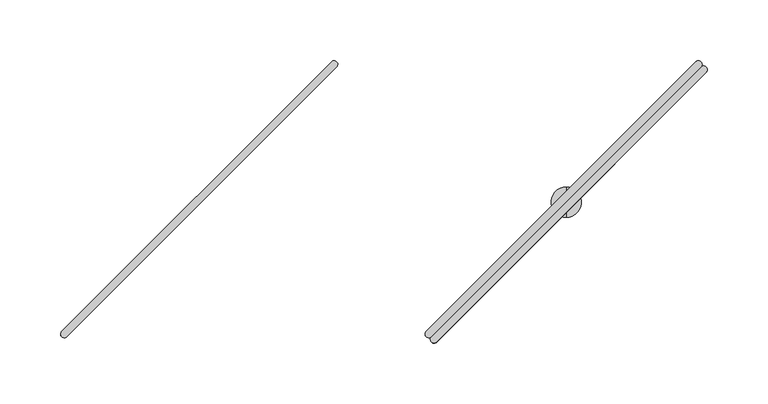
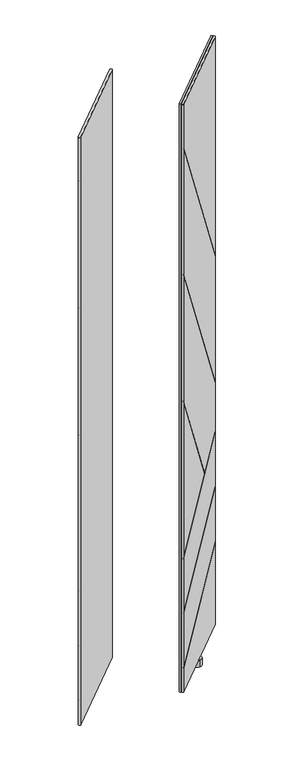
"""IFC4 building model written with IfcOpenShell, lengths in millimetres: furniture geometry."""

from ifc_helpers import new_model, si_unit, frame, origin, place, context, project, spatial, circle_curve, ellipse_curve, source, transform, mapped, element, save
from ifc_brep_helpers import plane_surface, cylinder_surface, advanced_brep


def furniture_4cfe6935(model_context):
    return source(origin(), model_context, "Body", "AdvancedBrep", [
        advanced_brep(
        [(489.0781344, -183.0476726, 1930.6159983), (711.0420147, 39.0094149, 1930.6159983), (706.8263161, 43.2234083, 1930.6159983), (484.81456, -178.7849606, 1930.6159983), (489.0781344, -183.0476726, 80.7339983), (484.81456, -178.7849606, 80.7339983), (706.8263161, 43.2234083, 80.7339983), (711.0420147, 39.0094149, 80.7339983), (484.81456, -178.7849606, 1790.5286762), (484.3106978, -182.380027, 1795.594488), (484.3106978, -182.380027, 1792.4233739), (484.81456, -178.7849606, 1787.3575622), (484.81456, -178.7849606, 1391.0755777), (484.3106978, -182.380027, 1396.14041), (484.3106978, -182.380027, 1392.9697579), (484.81456, -178.7849606, 1387.9049255), (484.81456, -178.7849606, 991.620773), (484.3106978, -182.380027, 996.6856054), (484.3106978, -182.380027, 993.5149532), (484.81456, -178.7849606, 988.4501208), (484.81456, -178.7849606, 505.723), (484.3106978, -182.380027, 504.0355995), (484.3106978, -182.380027, 502.2133563), (484.81456, -178.7849606, 503.9007569), (484.81456, -178.7849606, 332.9064727), (484.3106978, -182.380027, 331.2192637), (484.3106978, -182.380027, 329.397073), (484.81456, -178.7849606, 331.0842819), (484.81456, -178.7849606, 160.9482293), (484.3106978, -182.380027, 159.2609644), (484.3106978, -182.380027, 155.5577715), (484.81456, -178.7849606, 157.2450364), (706.8263161, 43.2234083, 1241.7700643), (706.8263161, 43.2234083, 340.0195157), (706.8263161, 43.2234083, 1238.5989503), (706.8263161, 43.2234083, 842.4230587), (706.8263161, 43.2234083, 839.2524065), (706.8263161, 43.2234083, 688.5121824), (632.2972885, -31.3044822, 627.1501165), (631.3349124, -32.2668437, 626.3577623), (706.8263161, 43.2234083, 686.6899393), (706.8263161, 43.2234083, 515.6748977), (706.8263161, 43.2234083, 513.852707), (706.8263161, 43.2234083, 343.7227086), (710.3498612, 43.6591364, 341.6492934), (710.3498612, 43.6591364, 345.3524863), (710.3498612, 43.6591364, 515.4824307), (710.3498612, 43.6591364, 517.3046215), (710.3498612, 43.6591364, 688.3198481), (710.3498612, 43.6591364, 690.1420912), (710.3498612, 43.6591364, 834.360139), (710.3498612, 43.6591364, 837.5307912), (710.3498612, 43.6591364, 1233.7057367), (710.3498612, 43.6591364, 1236.8768508), (633.8417656, -32.8489592, 627.1501165), (632.8793967, -33.811328, 626.3577623)],
        [
            (0, 1),
            (1, 2, circle_curve(frame((708.8820345, 41.0642596, 1930.6159983), z_axis=(0.0, 0.0, 1.0), x_axis=(0.6892541380737184, 0.724519656840486, 0.0)), 2.9812584)),
            (2, 3),
            (3, 0, circle_curve(frame((486.9461154, -180.9165485, 1930.6159983), z_axis=(0.0, 0.0, 1.0), x_axis=(-0.7071121751659861, -0.7071013871659622, 0.0)), 3.0144975)),
            (4, 5, circle_curve(frame((486.9461154, -180.9165485, 80.7339983), z_axis=(0.0, 0.0, -1.0), x_axis=(-0.7071121751659861, -0.7071013871659622, 0.0)), 3.0144975)),
            (5, 6),
            (6, 7, circle_curve(frame((708.8820345, 41.0642596, 80.7339983), z_axis=(0.0, 0.0, -1.0), x_axis=(0.6892541380737184, 0.724519656840486, 0.0)), 2.9812584)),
            (7, 4),
            (3, 8),
            (8, 9, ellipse_curve(frame((486.9461154, -180.9165485, 1790.5287164), z_axis=(0.6137510408992909, 0.6137510408992904, 0.4966078126550915), x_axis=(-0.3511547519186339, -0.35115475191863366, 0.867975045960381)), 6.0701774, 3.0144975)),
            (9, 10),
            (10, 11, ellipse_curve(frame((486.9461154, -180.9165485, 1787.3576024), z_axis=(-0.6137510408992913, -0.6137510408992902, -0.49660781265509124), x_axis=(-0.3511547519186339, -0.35115475191863327, 0.8679750459603811)), 6.0701774, 3.0144975)),
            (11, 12),
            (12, 13, ellipse_curve(frame((486.9461154, -180.9165485, 1391.0756178), z_axis=(0.6137217711363938, 0.6137217711363934, 0.4966801538882105), x_axis=(-0.3512059048951318, -0.35120590489513154, 0.8679336522647244)), 6.0692932, 3.0144975)),
            (13, 14),
            (14, 15, ellipse_curve(frame((486.9461154, -180.9165485, 1387.9049657), z_axis=(-0.6137217711363929, -0.613721771136394, -0.4966801538882105), x_axis=(-0.3512059048951313, -0.3512059048951319, 0.8679336522647244)), 6.0692932, 3.0144975)),
            (15, 16),
            (16, 17, ellipse_curve(frame((486.9461154, -180.9165485, 991.6208132), z_axis=(0.6137217711363938, 0.6137217711363934, 0.49668015388821035), x_axis=(-0.35120590489513165, -0.35120590489513137, 0.8679336522647245)), 6.0692932, 3.0144975)),
            (17, 18),
            (18, 19, ellipse_curve(frame((486.9461154, -180.9165485, 988.450161), z_axis=(-0.613721771136394, -0.6137217711363929, -0.4966801538882105), x_axis=(-0.3512059048951319, -0.3512059048951313, 0.8679336522647244)), 6.0692932, 3.0144975)),
            (19, 20),
            (20, 21, ellipse_curve(frame((486.9461154, -180.9165485, 505.7229867), z_axis=(-0.35576802902276056, -0.35576802902275995, 0.8642095920843049), x_axis=(0.6110884629292727, 0.6110884629292717, 0.5031319717027327)), 3.4881556, 3.0144975)),
            (21, 22),
            (22, 23, ellipse_curve(frame((486.9461154, -180.9165485, 503.9007435), z_axis=(0.35576802902276056, 0.35576802902275995, -0.8642095920843049), x_axis=(0.6110884629292727, 0.6110884629292717, 0.5031319717027327)), 3.4881556, 3.0144975)),
            (23, 24),
            (24, 25, ellipse_curve(frame((486.9461154, -180.9165485, 332.9064593), z_axis=(-0.3557378542673982, -0.35573785426739757, 0.8642344346775679), x_axis=(0.6111060292954311, 0.6111060292954301, 0.5030892981544572)), 3.4880553, 3.0144975)),
            (25, 26),
            (26, 27, ellipse_curve(frame((486.9461154, -180.9165485, 331.0842685), z_axis=(0.35573785426739823, 0.3557378542673976, -0.8642344346775679), x_axis=(0.6111060292954312, 0.6111060292954301, 0.5030892981544572)), 3.4880553, 3.0144975)),
            (27, 28),
            (28, 29, ellipse_curve(frame((486.9461154, -180.9165485, 160.9482159), z_axis=(-0.3557466555065138, -0.3557466555065132, 0.8642271889913322), x_axis=(0.6111009058215596, 0.6111009058215585, 0.5031017449861812)), 3.4880845, 3.0144975)),
            (29, 30),
            (30, 31, ellipse_curve(frame((486.9461154, -180.9165485, 157.245023), z_axis=(0.3557466555065137, 0.3557466555065131, -0.8642271889913324), x_axis=(0.6111009058215598, 0.6111009058215587, 0.5031017449861805)), 3.4880845, 3.0144975)),
            (31, 5),
            (4, 0),
            (2, 32),
            (32, 8),
            (31, 33),
            (33, 6),
            (11, 34),
            (34, 35),
            (35, 12),
            (15, 36),
            (36, 37),
            (37, 38),
            (38, 16),
            (19, 39),
            (39, 20),
            (23, 40),
            (40, 41),
            (41, 24),
            (27, 42),
            (42, 43),
            (43, 28),
            (1, 7),
            (33, 44, ellipse_curve(frame((708.8820345, 41.0642596, 339.97694), z_axis=(0.3557466555065137, 0.3557466555065131, -0.8642271889913324), x_axis=(0.6111009058215598, 0.6111009058215587, 0.5031017449861805)), 3.4496234, 2.9812584)),
            (44, 45),
            (45, 43, ellipse_curve(frame((708.8820345, 41.0642596, 343.6801329), z_axis=(-0.3557466555065138, -0.3557466555065132, 0.8642271889913322), x_axis=(0.6111009058215596, 0.6111009058215585, 0.5031017449861812)), 3.4496234, 2.9812584)),
            (42, 46, ellipse_curve(frame((708.8820345, 41.0642596, 513.8101328), z_axis=(0.35573785426739823, 0.3557378542673976, -0.8642344346775679), x_axis=(0.6111060292954312, 0.6111060292954301, 0.5030892981544572)), 3.4495945, 2.9812584)),
            (46, 47),
            (47, 41, ellipse_curve(frame((708.8820345, 41.0642596, 515.6323235), z_axis=(-0.3557378542673982, -0.35573785426739757, 0.8642344346775679), x_axis=(0.6111060292954311, 0.6111060292954301, 0.5030892981544572)), 3.4495945, 2.9812584)),
            (40, 48, ellipse_curve(frame((708.8820345, 41.0642596, 686.6473602), z_axis=(0.35576802902276056, 0.35576802902275995, -0.8642095920843049), x_axis=(0.6110884629292727, 0.6110884629292717, 0.5031319717027327)), 3.4496937, 2.9812584)),
            (48, 49),
            (49, 37, ellipse_curve(frame((708.8820345, 41.0642596, 688.4696034), z_axis=(-0.35576802902276056, -0.35576802902275995, 0.8642095920843049), x_axis=(0.6110884629292727, 0.6110884629292717, 0.5031319717027327)), 3.4496937, 2.9812584)),
            (36, 50, ellipse_curve(frame((708.8820345, 41.0642596, 839.3802101), z_axis=(-0.6137217711363929, -0.613721771136394, -0.4966801538882105), x_axis=(-0.3512059048951313, -0.3512059048951319, 0.8679336522647244)), 6.0023706, 2.9812584)),
            (50, 51),
            (51, 35, ellipse_curve(frame((708.8820345, 41.0642596, 842.5508622), z_axis=(0.6137217711363938, 0.6137217711363934, 0.4966801538882105), x_axis=(-0.3512059048951318, -0.35120590489513154, 0.8679336522647244)), 6.0023706, 2.9812584)),
            (34, 52, ellipse_curve(frame((708.8820345, 41.0642596, 1238.7267785), z_axis=(-0.6137510408992913, -0.6137510408992902, -0.49660781265509124), x_axis=(-0.3511547519186339, -0.35115475191863327, 0.8679750459603811)), 6.003245, 2.9812584)),
            (52, 53),
            (53, 32, ellipse_curve(frame((708.8820345, 41.0642596, 1241.8978926), z_axis=(0.6137510408992909, 0.6137510408992904, 0.4966078126550915), x_axis=(-0.3511547519186339, -0.35115475191863366, 0.867975045960381)), 6.003245, 2.9812584)),
            (29, 45),
            (44, 30),
            (9, 53),
            (52, 10),
            (13, 51),
            (50, 14),
            (54, 49),
            (48, 22),
            (21, 55),
            (55, 18),
            (17, 54),
            (25, 47),
            (46, 26),
            (54, 38),
            (55, 39),
        ],
        [
            plane_surface(frame((597.9402563, -69.8999525, 1930.6159983), z_axis=(0.0, 0.0, 1.0000000000000002), x_axis=(0.7069583324882522, 0.7072551987263367, 0.0))),
            plane_surface(frame((597.9402563, -69.8999525, 80.7339983), z_axis=(0.0, 0.0, -1.0000000000000002), x_axis=(0.7069583324882522, 0.7072551987263367, 0.0))),
            cylinder_surface(frame((486.9461154, -180.9165485, 80.7339983), z_axis=(0.0, 0.0, 1.0), x_axis=(-0.7071121751659861, -0.7071013871659622, 0.0)), 3.0144975),
            plane_surface(frame((595.8204381, -67.7807761, 80.7339983), z_axis=(-0.7071013871659615, 0.7071121751659868, 0.0), x_axis=(-0.7071121751659868, -0.7071013871659615, 0.0))),
            cylinder_surface(frame((708.8820345, 41.0642596, 80.7339983), z_axis=(0.0, 0.0, 1.0), x_axis=(0.6892541380737184, 0.724519656840486, 0.0)), 2.9812584),
            plane_surface(frame((600.0600746, -72.0191288, 80.7339983), z_axis=(0.7072551987263367, -0.7069583324882522, 0.0), x_axis=(0.7069583324882522, 0.7072551987263367, 0.0))),
            plane_surface(frame((481.8234445, -184.8672803, 1789.3352577), z_axis=(-0.7071067811865472, 0.707106781186548, 0.0), x_axis=(0.0, 0.0, -1.0))),
            plane_surface(frame((699.4972959, 72.3196981, 348.9796982), z_axis=(-0.3557466555065137, -0.3557466555065131, 0.8642271889913324), x_axis=(0.7071067811865469, -0.7071067811865481, 0.0))),
            plane_surface(frame((462.0668811, -165.1107168, 157.2132806), z_axis=(0.35574665550651385, 0.35574665550651324, -0.8642271889913324), x_axis=(0.7071067811865469, -0.7071067811865481, 0.0))),
            plane_surface(frame((699.4972959, 72.3196981, 1211.6970692), z_axis=(0.6137510408992913, 0.6137510408992902, 0.49660781265509124), x_axis=(0.7071067811865469, -0.7071067811865481, 0.0))),
            plane_surface(frame((462.0668811, -165.1107168, 1801.7424149), z_axis=(-0.6137510408992909, -0.6137510408992904, -0.4966078126550915), x_axis=(0.7071067811865472, -0.7071067811865478, 0.0))),
            plane_surface(frame((699.4972959, 72.3196981, 812.3557264), z_axis=(0.6137217711363929, 0.613721771136394, 0.4966801538882105), x_axis=(0.7071067811865481, -0.7071067811865469, 0.0))),
            plane_surface(frame((462.0668811, -165.1107168, 1402.2871484), z_axis=(-0.6137217711363938, -0.6137217711363934, -0.4966801538882105), x_axis=(0.7071067811865472, -0.7071067811865478, 0.0))),
            plane_surface(frame((699.4972959, 72.3196981, 695.6508426), z_axis=(-0.3557680290227606, -0.35576802902276, 0.8642095920843051), x_axis=(0.7071067811865469, -0.7071067811865481, 0.0))),
            plane_surface(frame((614.0852021, -13.0923958, 627.1501165), z_axis=(0.3557680290227606, 0.35576802902276, -0.8642095920843051), x_axis=(0.7071067811865469, -0.7071067811865481, 0.0))),
            plane_surface(frame((699.4972959, 72.3196981, 522.8125927), z_axis=(-0.35573785426739823, -0.3557378542673976, 0.8642344346775679), x_axis=(0.7071067811865469, -0.7071067811865481, 0.0))),
            plane_surface(frame((462.0668811, -165.1107168, 329.1716477), z_axis=(0.3557378542673982, 0.35573785426739757, -0.8642344346775679), x_axis=(0.7071067811865469, -0.7071067811865481, 0.0))),
            plane_surface(frame((462.0668811, -165.1107168, 1002.8323438), z_axis=(-0.6137217711363938, -0.6137217711363934, -0.49668015388821035), x_axis=(0.7071067811865472, -0.7071067811865478, 0.0))),
            plane_surface(frame((613.1228333, -14.0547646, 626.3577623), z_axis=(0.613721771136394, 0.6137217711363929, 0.4966801538882105), x_axis=(0.7071067811865469, -0.7071067811865481, 0.0))),
            plane_surface(frame((462.0668811, -165.1107168, 501.9877509), z_axis=(0.3557680290227606, 0.35576802902276, -0.8642095920843051), x_axis=(0.7071067811865469, -0.7071067811865481, 0.0))),
        ],
        [
            (0, [[1, 2, 3, 4]]),
            (1, [[5, 6, 7, 8]]),
            (2, [[-4, 9, 10, 11, 12, 13, 14, 15, 16, 17, 18, 19, 20, 21, 22, 23, 24, 25, 26, 27, 28, 29, 30, 31, 32, 33, -5, 34]]),
            (3, [[-3, 35, 36, -9]]),
            (3, [[-6, -33, 37, 38]]),
            (3, [[-13, 39, 40, 41]]),
            (3, [[-17, 42, 43, 44, 45]]),
            (3, [[-21, 46, 47]]),
            (3, [[-25, 48, 49, 50]]),
            (3, [[-29, 51, 52, 53]]),
            (4, [[-2, 54, -7, -38, 55, 56, 57, -52, 58, 59, 60, -49, 61, 62, 63, -43, 64, 65, 66, -40, 67, 68, 69, -35]]),
            (5, [[-1, -34, -8, -54]]),
            (6, [[70, -56, 71, -31]]),
            (6, [[72, -68, 73, -11]]),
            (6, [[74, -65, 75, -15]]),
            (6, [[76, -62, 77, -23, 78, 79, -19, 80]]),
            (6, [[81, -59, 82, -27]]),
            (7, [[-71, -55, -37, -32]]),
            (8, [[-70, -30, -53, -57]]),
            (9, [[-73, -67, -39, -12]]),
            (10, [[-72, -10, -36, -69]]),
            (11, [[-75, -64, -42, -16]]),
            (12, [[-74, -14, -41, -66]]),
            (13, [[-77, -61, -48, -24]]),
            (14, [[-76, 83, -44, -63]]),
            (15, [[-82, -58, -51, -28]]),
            (16, [[-81, -26, -50, -60]]),
            (17, [[-80, -18, -45, -83]]),
            (18, [[-79, 84, -46, -20]]),
            (19, [[-78, -22, -47, -84]]),
        ],
    ),
        advanced_brep(
        [(489.0388266, -183.0083649, 1930.6159983), (493.3015387, -187.2719392, 1930.6159983), (715.3099076, 34.7398168, 1930.6159983), (711.0959142, 38.9555155, 1930.6159983), (489.0388267, -183.0083649, 80.7339983), (711.0959142, 38.9555155, 80.7339983), (715.3099076, 34.7398168, 80.7339983), (493.3015387, -187.2719392, 80.7339983), (493.3015387, -187.2719392, 157.2450364), (489.7064723, -187.7758015, 155.5577715), (489.7064723, -187.7758015, 159.2609644), (493.3015387, -187.2719392, 160.9482293), (493.3015387, -187.2719392, 331.0842819), (489.7064723, -187.7758015, 329.397073), (489.7064723, -187.7758015, 331.2192637), (493.3015387, -187.2719392, 332.9064727), (493.3015387, -187.2719392, 503.9007569), (489.7064723, -187.7758015, 502.2133563), (489.7064723, -187.7758015, 504.0355995), (493.3015387, -187.2719392, 505.723), (493.3015387, -187.2719392, 988.4501208), (489.7064723, -187.7758015, 993.5149532), (489.7064723, -187.7758015, 996.6856054), (493.3015387, -187.2719392, 991.620773), (493.3015387, -187.2719392, 1387.9049255), (489.7064723, -187.7758015, 1392.9697579), (489.7064723, -187.7758015, 1396.14041), (493.3015387, -187.2719392, 1391.0755777), (493.3015387, -187.2719392, 1787.3575622), (489.7064723, -187.7758015, 1792.4233739), (489.7064723, -187.7758015, 1795.594488), (493.3015387, -187.2719392, 1790.5286762), (715.3099076, 34.7398168, 343.7227086), (715.3099076, 34.7398168, 513.852707), (715.3099076, 34.7398168, 515.6748977), (715.3099076, 34.7398168, 686.6899393), (639.8196556, -40.7515869, 626.3577623), (640.7820171, -39.7892108, 627.1501165), (715.3099076, 34.7398168, 688.5121824), (715.3099076, 34.7398168, 839.2524065), (715.3099076, 34.7398168, 842.4230587), (715.3099076, 34.7398168, 1238.5989503), (715.3099076, 34.7398168, 1241.7700643), (715.3099076, 34.7398168, 340.0195157), (715.7456357, 38.263362, 1236.8768508), (715.7456357, 38.263362, 1233.7057367), (715.7456357, 38.263362, 837.5307912), (715.7456357, 38.263362, 834.360139), (715.7456357, 38.263362, 690.1420912), (715.7456357, 38.263362, 688.3198481), (715.7456357, 38.263362, 517.3046215), (715.7456357, 38.263362, 515.4824307), (715.7456357, 38.263362, 345.3524863), (715.7456357, 38.263362, 341.6492934), (639.23754, -38.2447337, 627.1501165), (638.2751712, -39.2071025, 626.3577623)],
        [
            (0, 1, circle_curve(frame((491.1699508, -185.1403839, 1930.6159983), z_axis=(0.0, 0.0, 1.0), x_axis=(-0.7072551987263337, -0.7069583324882551, 0.0)), 3.0144975)),
            (1, 2),
            (2, 3, circle_curve(frame((713.1507589, 36.7955352, 1930.6159983), z_axis=(0.0, 0.0, 1.0), x_axis=(0.6895472047235311, 0.7242407420588576, 0.0)), 2.9812584)),
            (3, 0),
            (4, 5),
            (5, 6, circle_curve(frame((713.1507589, 36.7955352, 80.7339983), z_axis=(0.0, 0.0, -1.0), x_axis=(0.6895472047235311, 0.7242407420588576, 0.0)), 2.9812584)),
            (6, 7),
            (7, 4, circle_curve(frame((491.1699508, -185.1403839, 80.7339983), z_axis=(0.0, 0.0, -1.0), x_axis=(-0.7072551987263337, -0.7069583324882551, 0.0)), 3.0144975)),
            (0, 4),
            (7, 8),
            (8, 9, ellipse_curve(frame((491.1699508, -185.1403839, 157.245023), z_axis=(0.3557466555065141, 0.35574665550651347, -0.8642271889913322), x_axis=(0.6111009058215596, 0.6111009058215586, 0.5031017449861808)), 3.4880845, 3.0144975)),
            (9, 10),
            (10, 11, ellipse_curve(frame((491.1699508, -185.1403839, 160.9482159), z_axis=(-0.3557466555065138, -0.3557466555065132, 0.8642271889913322), x_axis=(0.6111009058215596, 0.6111009058215585, 0.5031017449861812)), 3.4880845, 3.0144975)),
            (11, 12),
            (12, 13, ellipse_curve(frame((491.1699508, -185.1403839, 331.0842685), z_axis=(0.3557378542673982, 0.35573785426739757, -0.8642344346775678), x_axis=(0.611106029295431, 0.61110602929543, 0.5030892981544577)), 3.4880553, 3.0144975)),
            (13, 14),
            (14, 15, ellipse_curve(frame((491.1699508, -185.1403839, 332.9064593), z_axis=(-0.3557378542673982, -0.35573785426739757, 0.8642344346775679), x_axis=(0.6111060292954311, 0.6111060292954301, 0.5030892981544572)), 3.4880553, 3.0144975)),
            (15, 16),
            (16, 17, ellipse_curve(frame((491.1699508, -185.1403839, 503.9007435), z_axis=(0.35576802902276067, 0.35576802902276006, -0.8642095920843049), x_axis=(0.6110884629292728, 0.6110884629292717, 0.5031319717027326)), 3.4881556, 3.0144975)),
            (17, 18),
            (18, 19, ellipse_curve(frame((491.1699508, -185.1403839, 505.7229867), z_axis=(-0.3557680290227606, -0.35576802902276, 0.864209592084305), x_axis=(0.6110884629292728, 0.6110884629292717, 0.5031319717027324)), 3.4881556, 3.0144975)),
            (19, 20),
            (20, 21, ellipse_curve(frame((491.1699508, -185.1403839, 988.450161), z_axis=(-0.6137217711363941, -0.6137217711363931, -0.4966801538882102), x_axis=(-0.3512059048951317, -0.3512059048951311, 0.8679336522647246)), 6.0692932, 3.0144975)),
            (21, 22),
            (22, 23, ellipse_curve(frame((491.1699508, -185.1403839, 991.6208132), z_axis=(0.6137217711363941, 0.613721771136393, 0.49668015388821024), x_axis=(-0.35120590489513176, -0.3512059048951311, 0.8679336522647245)), 6.0692932, 3.0144975)),
            (23, 24),
            (24, 25, ellipse_curve(frame((491.1699508, -185.1403839, 1387.9049657), z_axis=(-0.6137217711363941, -0.6137217711363931, -0.4966801538882103), x_axis=(-0.35120590489513176, -0.3512059048951312, 0.8679336522647245)), 6.0692932, 3.0144975)),
            (25, 26),
            (26, 27, ellipse_curve(frame((491.1699508, -185.1403839, 1391.0756178), z_axis=(0.6137217711363941, 0.6137217711363931, 0.4966801538882103), x_axis=(-0.35120590489513176, -0.3512059048951312, 0.8679336522647245)), 6.0692932, 3.0144975)),
            (27, 28),
            (28, 29, ellipse_curve(frame((491.1699508, -185.1403839, 1787.3576024), z_axis=(-0.6137510408992914, -0.6137510408992903, -0.4966078126550913), x_axis=(-0.351154751918634, -0.3511547519186334, 0.8679750459603811)), 6.0701774, 3.0144975)),
            (29, 30),
            (30, 31, ellipse_curve(frame((491.1699508, -185.1403839, 1790.5287164), z_axis=(0.6137510408992906, 0.6137510408992916, 0.4966078126550908), x_axis=(-0.351154751918633, -0.35115475191863355, 0.8679750459603813)), 6.0701774, 3.0144975)),
            (31, 1),
            (11, 32),
            (32, 33),
            (33, 12),
            (15, 34),
            (34, 35),
            (35, 16),
            (19, 36),
            (36, 20),
            (23, 37),
            (37, 38),
            (38, 39),
            (39, 24),
            (27, 40),
            (40, 41),
            (41, 28),
            (31, 42),
            (42, 2),
            (6, 43),
            (43, 8),
            (42, 44, ellipse_curve(frame((713.1507589, 36.7955352, 1241.8978926), z_axis=(0.6137510408992906, 0.6137510408992916, 0.4966078126550908), x_axis=(-0.351154751918633, -0.35115475191863355, 0.8679750459603813)), 6.003245, 2.9812584)),
            (44, 45),
            (45, 41, ellipse_curve(frame((713.1507589, 36.7955352, 1238.7267785), z_axis=(-0.6137510408992914, -0.6137510408992903, -0.4966078126550913), x_axis=(-0.351154751918634, -0.3511547519186334, 0.8679750459603811)), 6.003245, 2.9812584)),
            (40, 46, ellipse_curve(frame((713.1507589, 36.7955352, 842.5508622), z_axis=(0.6137217711363941, 0.6137217711363931, 0.4966801538882103), x_axis=(-0.35120590489513176, -0.3512059048951312, 0.8679336522647245)), 6.0023706, 2.9812584)),
            (46, 47),
            (47, 39, ellipse_curve(frame((713.1507589, 36.7955352, 839.3802101), z_axis=(-0.6137217711363941, -0.6137217711363931, -0.4966801538882103), x_axis=(-0.35120590489513176, -0.3512059048951312, 0.8679336522647245)), 6.0023706, 2.9812584)),
            (38, 48, ellipse_curve(frame((713.1507589, 36.7955352, 688.4696034), z_axis=(-0.355768029022761, -0.3557680290227604, 0.8642095920843047), x_axis=(0.6110884629292725, 0.6110884629292714, 0.5031319717027329)), 3.4496937, 2.9812584)),
            (48, 49),
            (49, 35, ellipse_curve(frame((713.1507589, 36.7955352, 686.6473602), z_axis=(0.35576802902276067, 0.35576802902276006, -0.8642095920843049), x_axis=(0.6110884629292728, 0.6110884629292717, 0.5031319717027326)), 3.4496937, 2.9812584)),
            (34, 50, ellipse_curve(frame((713.1507589, 36.7955352, 515.6323235), z_axis=(-0.3557378542673982, -0.35573785426739757, 0.8642344346775679), x_axis=(0.6111060292954311, 0.6111060292954301, 0.5030892981544572)), 3.4495945, 2.9812584)),
            (50, 51),
            (51, 33, ellipse_curve(frame((713.1507589, 36.7955352, 513.8101328), z_axis=(0.3557378542673982, 0.35573785426739757, -0.8642344346775678), x_axis=(0.611106029295431, 0.61110602929543, 0.5030892981544577)), 3.4495945, 2.9812584)),
            (32, 52, ellipse_curve(frame((713.1507589, 36.7955352, 343.6801329), z_axis=(-0.3557466555065138, -0.3557466555065132, 0.8642271889913322), x_axis=(0.6111009058215596, 0.6111009058215585, 0.5031017449861812)), 3.4496234, 2.9812584)),
            (52, 53),
            (53, 43, ellipse_curve(frame((713.1507589, 36.7955352, 339.97694), z_axis=(0.3557466555065141, 0.35574665550651347, -0.8642271889913322), x_axis=(0.6111009058215596, 0.6111009058215586, 0.5031017449861808)), 3.4496234, 2.9812584)),
            (5, 3),
            (9, 53),
            (52, 10),
            (29, 45),
            (44, 30),
            (25, 47),
            (46, 26),
            (13, 51),
            (50, 14),
            (54, 22),
            (21, 55),
            (55, 18),
            (17, 49),
            (48, 54),
            (37, 54),
            (36, 55),
        ],
        [
            plane_surface(frame((602.1865468, -74.146243, 1930.6159983), z_axis=(0.0, 0.0, 1.0000000000000002), x_axis=(-0.7072551987263422, -0.7069583324882467, 0.0))),
            plane_surface(frame((602.1865468, -74.146243, 80.7339983), z_axis=(0.0, 0.0, -1.0000000000000002), x_axis=(-0.7072551987263422, -0.7069583324882467, 0.0))),
            cylinder_surface(frame((491.1699508, -185.1403839, 80.7339983), z_axis=(0.0, 0.0, 1.0), x_axis=(-0.7072551987263337, -0.7069583324882551, 0.0)), 3.0144975),
            plane_surface(frame((604.3057231, -76.2660612, 80.7339983), z_axis=(0.7071121751659858, -0.7071013871659624, 0.0), x_axis=(0.7071013871659624, 0.7071121751659858, 0.0))),
            cylinder_surface(frame((713.1507589, 36.7955352, 80.7339983), z_axis=(0.0, 0.0, 1.0), x_axis=(0.6895472047235311, 0.7242407420588576, 0.0)), 2.9812584),
            plane_surface(frame((600.0673705, -72.0264247, 80.7339983), z_axis=(-0.7069583324882512, 0.7072551987263376, 0.0), x_axis=(-0.7072551987263376, -0.7069583324882512, 0.0))),
            plane_surface(frame((506.1569445, -171.3253292, 169.1009707), z_axis=(0.7071067811865472, -0.7071067811865481, 0.0), x_axis=(-0.6111009058215594, -0.6111009058215585, -0.5031017449861812))),
            plane_surface(frame((506.9757825, -210.0196182, 153.5100877), z_axis=(-0.3557466555065141, -0.35574665550651347, 0.8642271889913322), x_axis=(-0.7071067811865469, 0.7071067811865481, 0.0))),
            plane_surface(frame((744.4061973, 27.4107966, 352.6828911), z_axis=(0.35574665550651385, 0.35574665550651324, -0.8642271889913324), x_axis=(-0.7071067811865469, 0.7071067811865481, 0.0))),
            plane_surface(frame((506.9757825, -210.0196182, 1798.5713009), z_axis=(0.6137510408992913, 0.6137510408992902, 0.4966078126550912), x_axis=(-0.7071067811865469, 0.7071067811865481, 0.0))),
            plane_surface(frame((744.4061973, 27.4107966, 1214.8681832), z_axis=(-0.6137510408992906, -0.6137510408992916, -0.4966078126550908), x_axis=(-0.7071067811865481, 0.7071067811865469, 0.0))),
            plane_surface(frame((506.9757825, -210.0196182, 1399.1164962), z_axis=(0.6137217711363941, 0.6137217711363931, 0.4966801538882103), x_axis=(-0.7071067811865469, 0.7071067811865481, 0.0))),
            plane_surface(frame((744.4061973, 27.4107966, 815.5263786), z_axis=(-0.6137217711363941, -0.6137217711363931, -0.4966801538882103), x_axis=(-0.7071067811865469, 0.7071067811865481, 0.0))),
            plane_surface(frame((506.9757825, -210.0196182, 500.1655078), z_axis=(-0.35576802902276067, -0.35576802902276006, 0.8642095920843049), x_axis=(-0.7071067811865469, 0.7071067811865481, 0.0))),
            plane_surface(frame((744.4061973, 27.4107966, 697.4730857), z_axis=(0.355768029022761, 0.3557680290227604, -0.8642095920843047), x_axis=(-0.7071067811865469, 0.7071067811865481, 0.0))),
            plane_surface(frame((506.9757825, -210.0196182, 327.3494569), z_axis=(-0.3557378542673982, -0.35573785426739757, 0.8642344346775678), x_axis=(-0.7071067811865469, 0.7071067811865481, 0.0))),
            plane_surface(frame((744.4061973, 27.4107966, 524.6347834), z_axis=(0.3557378542673982, 0.35573785426739757, -0.8642344346775679), x_axis=(-0.7071067811865469, 0.7071067811865481, 0.0))),
            plane_surface(frame((658.9941035, -58.0012972, 627.1501165), z_axis=(-0.6137217711363941, -0.613721771136393, -0.49668015388821024), x_axis=(-0.7071067811865469, 0.7071067811865481, 0.0))),
            plane_surface(frame((506.9757825, -210.0196182, 999.6616916), z_axis=(0.6137217711363941, 0.6137217711363931, 0.4966801538882102), x_axis=(-0.7071067811865469, 0.7071067811865481, 0.0))),
            plane_surface(frame((658.0317347, -58.963666, 626.3577623), z_axis=(0.3557680290227606, 0.35576802902276, -0.864209592084305), x_axis=(-0.7071067811865469, 0.7071067811865481, 0.0))),
        ],
        [
            (0, [[1, 2, 3, 4]]),
            (1, [[5, 6, 7, 8]]),
            (2, [[-1, 9, -8, 10, 11, 12, 13, 14, 15, 16, 17, 18, 19, 20, 21, 22, 23, 24, 25, 26, 27, 28, 29, 30, 31, 32, 33, 34]]),
            (3, [[-14, 35, 36, 37]]),
            (3, [[-18, 38, 39, 40]]),
            (3, [[-22, 41, 42]]),
            (3, [[-26, 43, 44, 45, 46]]),
            (3, [[-30, 47, 48, 49]]),
            (3, [[-2, -34, 50, 51]]),
            (3, [[-7, 52, 53, -10]]),
            (4, [[-3, -51, 54, 55, 56, -48, 57, 58, 59, -45, 60, 61, 62, -39, 63, 64, 65, -36, 66, 67, 68, -52, -6, 69]]),
            (5, [[-4, -69, -5, -9]]),
            (6, [[70, -67, 71, -12]]),
            (6, [[72, -55, 73, -32]]),
            (6, [[74, -58, 75, -28]]),
            (6, [[76, -64, 77, -16]]),
            (6, [[78, -24, 79, 80, -20, 81, -61, 82]]),
            (7, [[-70, -11, -53, -68]]),
            (8, [[-71, -66, -35, -13]]),
            (9, [[-72, -31, -49, -56]]),
            (10, [[-73, -54, -50, -33]]),
            (11, [[-74, -27, -46, -59]]),
            (12, [[-75, -57, -47, -29]]),
            (13, [[-81, -19, -40, -62]]),
            (14, [[-82, -60, -44, 83]]),
            (15, [[-76, -15, -37, -65]]),
            (16, [[-77, -63, -38, -17]]),
            (17, [[-78, -83, -43, -25]]),
            (18, [[-79, -23, -42, 84]]),
            (19, [[-80, -84, -41, -21]]),
        ],
    ),
        advanced_brep(
        [(599.9988, -84.5709522, 80.7339983), (599.9988, -59.5748171, 80.7339983), (599.9988, -59.5748171, 59.9975986), (599.9988, -84.5709522, 59.9975986), (599.9988, -72.0728847, 80.7339983), (599.9988, -72.0728847, 59.9975986)],
        [
            (0, 1, circle_curve(frame((599.9988, -72.0728847, 80.7339983), z_axis=(0.0, 0.0, -1.0), x_axis=(0.0, 1.0, 0.0)), 12.4980675)),
            (1, 2),
            (2, 3, circle_curve(frame((599.9988, -72.0728847, 59.9975986), z_axis=(0.0, 0.0, 1.0), x_axis=(0.0, 1.0, 0.0)), 12.4980675)),
            (3, 0),
            (4, 1),
            (0, 4),
            (0, 1, circle_curve(frame((599.9988, -72.0728847, 80.7339983), z_axis=(0.0, 0.0, 1.0), x_axis=(0.0, 1.0, 0.0)), 12.4980675)),
            (2, 5),
            (5, 3),
            (2, 3, circle_curve(frame((599.9988, -72.0728847, 59.9975986), z_axis=(0.0, 0.0, -1.0), x_axis=(0.0, 1.0, 0.0)), 12.4980675)),
        ],
        [
            cylinder_surface(frame((599.9988, -72.0728847, 88.2747758), z_axis=(0.0, 0.0, 1.0), x_axis=(0.0, 1.0, 0.0)), 12.4980675),
            plane_surface(frame((599.9988, -72.0728847, 80.7339983), z_axis=(0.0, 0.0, 1.0), x_axis=(0.0, 1.0, 0.0))),
            plane_surface(frame((599.9988, -72.0728847, 59.9975986), z_axis=(0.0, 0.0, -1.0), x_axis=(0.0, 1.0, 0.0))),
        ],
        [
            (0, [[1, 2, 3, 4]]),
            (1, [[5, -1, 6]]),
            (1, [[-6, 7, -5]]),
            (2, [[-3, 8, 9]]),
            (2, [[10, -9, -8]]),
            (0, [[-7, -4, -10, -2]]),
        ],
    ),
        advanced_brep(
        [(189.0787344, -183.0476726, 1930.6159983), (411.0426147, 39.0094149, 1930.6159983), (406.8269161, 43.2234083, 1930.6159983), (184.81516, -178.7849606, 1930.6159983), (189.0787344, -183.0476726, 80.7339983), (184.81516, -178.7849606, 80.7339983), (406.8269161, 43.2234083, 80.7339983), (411.0426147, 39.0094149, 80.7339983), (184.81516, -178.7849606, 1790.5286762), (184.3112978, -182.380027, 1795.594488), (184.3112978, -182.380027, 1792.4233739), (184.81516, -178.7849606, 1787.3575622), (184.81516, -178.7849606, 1391.0755777), (184.3112978, -182.380027, 1396.14041), (184.3112978, -182.380027, 1392.9697579), (184.81516, -178.7849606, 1387.9049255), (184.81516, -178.7849606, 991.620773), (184.3112978, -182.380027, 996.6856054), (184.3112978, -182.380027, 993.5149532), (184.81516, -178.7849606, 988.4501208), (184.81516, -178.7849606, 505.723), (184.3112978, -182.380027, 504.0355995), (184.3112978, -182.380027, 502.2133563), (184.81516, -178.7849606, 503.9007569), (184.81516, -178.7849606, 332.9064727), (184.3112978, -182.380027, 331.2192637), (184.3112978, -182.380027, 329.397073), (184.81516, -178.7849606, 331.0842819), (184.81516, -178.7849606, 160.9482293), (184.3112978, -182.380027, 159.2609644), (184.3112978, -182.380027, 155.5577715), (184.81516, -178.7849606, 157.2450364), (406.8269161, 43.2234083, 1241.7700643), (406.8269161, 43.2234083, 340.0195157), (406.8269161, 43.2234083, 1238.5989503), (406.8269161, 43.2234083, 842.4230587), (406.8269161, 43.2234083, 839.2524065), (406.8269161, 43.2234083, 688.5121824), (332.2978885, -31.3044822, 627.1501165), (331.3355124, -32.2668437, 626.3577623), (406.8269161, 43.2234083, 686.6899393), (406.8269161, 43.2234083, 515.6748977), (406.8269161, 43.2234083, 513.852707), (406.8269161, 43.2234083, 343.7227086), (410.3504612, 43.6591364, 341.6492934), (410.3504612, 43.6591364, 345.3524863), (410.3504612, 43.6591364, 515.4824307), (410.3504612, 43.6591364, 517.3046215), (410.3504612, 43.6591364, 688.3198481), (410.3504612, 43.6591364, 690.1420912), (410.3504612, 43.6591364, 834.360139), (410.3504612, 43.6591364, 837.5307912), (410.3504612, 43.6591364, 1233.7057367), (410.3504612, 43.6591364, 1236.8768508), (333.8423656, -32.8489592, 627.1501165), (332.8799967, -33.811328, 626.3577623)],
        [
            (0, 1),
            (1, 2, circle_curve(frame((408.8826345, 41.0642596, 1930.6159983), z_axis=(0.0, 0.0, 1.0), x_axis=(0.6892541380737184, 0.724519656840486, 0.0)), 2.9812584)),
            (2, 3),
            (3, 0, circle_curve(frame((186.9467154, -180.9165485, 1930.6159983), z_axis=(0.0, 0.0, 1.0), x_axis=(-0.7071121751659861, -0.7071013871659622, 0.0)), 3.0144975)),
            (4, 5, circle_curve(frame((186.9467154, -180.9165485, 80.7339983), z_axis=(0.0, 0.0, -1.0), x_axis=(-0.7071121751659861, -0.7071013871659622, 0.0)), 3.0144975)),
            (5, 6),
            (6, 7, circle_curve(frame((408.8826345, 41.0642596, 80.7339983), z_axis=(0.0, 0.0, -1.0), x_axis=(0.6892541380737184, 0.724519656840486, 0.0)), 2.9812584)),
            (7, 4),
            (3, 8),
            (8, 9, ellipse_curve(frame((186.9467154, -180.9165485, 1790.5287164), z_axis=(0.6137510408992909, 0.6137510408992904, 0.4966078126550915), x_axis=(-0.3511547519186339, -0.35115475191863366, 0.867975045960381)), 6.0701774, 3.0144975)),
            (9, 10),
            (10, 11, ellipse_curve(frame((186.9467154, -180.9165485, 1787.3576024), z_axis=(-0.6137510408992913, -0.6137510408992902, -0.49660781265509124), x_axis=(-0.3511547519186339, -0.35115475191863327, 0.8679750459603811)), 6.0701774, 3.0144975)),
            (11, 12),
            (12, 13, ellipse_curve(frame((186.9467154, -180.9165485, 1391.0756178), z_axis=(0.6137217711363938, 0.6137217711363934, 0.4966801538882105), x_axis=(-0.3512059048951318, -0.35120590489513154, 0.8679336522647244)), 6.0692932, 3.0144975)),
            (13, 14),
            (14, 15, ellipse_curve(frame((186.9467154, -180.9165485, 1387.9049657), z_axis=(-0.6137217711363929, -0.613721771136394, -0.4966801538882105), x_axis=(-0.3512059048951313, -0.3512059048951319, 0.8679336522647244)), 6.0692932, 3.0144975)),
            (15, 16),
            (16, 17, ellipse_curve(frame((186.9467154, -180.9165485, 991.6208132), z_axis=(0.6137217711363938, 0.6137217711363934, 0.49668015388821035), x_axis=(-0.35120590489513165, -0.35120590489513137, 0.8679336522647245)), 6.0692932, 3.0144975)),
            (17, 18),
            (18, 19, ellipse_curve(frame((186.9467154, -180.9165485, 988.450161), z_axis=(-0.613721771136394, -0.6137217711363929, -0.4966801538882105), x_axis=(-0.3512059048951319, -0.3512059048951313, 0.8679336522647244)), 6.0692932, 3.0144975)),
            (19, 20),
            (20, 21, ellipse_curve(frame((186.9467154, -180.9165485, 505.7229867), z_axis=(-0.35576802902276056, -0.35576802902275995, 0.8642095920843049), x_axis=(0.6110884629292727, 0.6110884629292717, 0.5031319717027327)), 3.4881556, 3.0144975)),
            (21, 22),
            (22, 23, ellipse_curve(frame((186.9467154, -180.9165485, 503.9007435), z_axis=(0.35576802902276056, 0.35576802902275995, -0.8642095920843049), x_axis=(0.6110884629292727, 0.6110884629292717, 0.5031319717027327)), 3.4881556, 3.0144975)),
            (23, 24),
            (24, 25, ellipse_curve(frame((186.9467154, -180.9165485, 332.9064593), z_axis=(-0.3557378542673982, -0.35573785426739757, 0.8642344346775679), x_axis=(0.6111060292954311, 0.6111060292954301, 0.5030892981544572)), 3.4880553, 3.0144975)),
            (25, 26),
            (26, 27, ellipse_curve(frame((186.9467154, -180.9165485, 331.0842685), z_axis=(0.35573785426739823, 0.3557378542673976, -0.8642344346775679), x_axis=(0.6111060292954312, 0.6111060292954301, 0.5030892981544572)), 3.4880553, 3.0144975)),
            (27, 28),
            (28, 29, ellipse_curve(frame((186.9467154, -180.9165485, 160.9482159), z_axis=(-0.3557466555065138, -0.3557466555065132, 0.8642271889913322), x_axis=(0.6111009058215596, 0.6111009058215585, 0.5031017449861812)), 3.4880845, 3.0144975)),
            (29, 30),
            (30, 31, ellipse_curve(frame((186.9467154, -180.9165485, 157.245023), z_axis=(0.3557466555065137, 0.3557466555065131, -0.8642271889913324), x_axis=(0.6111009058215598, 0.6111009058215587, 0.5031017449861805)), 3.4880845, 3.0144975)),
            (31, 5),
            (4, 0),
            (2, 32),
            (32, 8),
            (31, 33),
            (33, 6),
            (11, 34),
            (34, 35),
            (35, 12),
            (15, 36),
            (36, 37),
            (37, 38),
            (38, 16),
            (19, 39),
            (39, 20),
            (23, 40),
            (40, 41),
            (41, 24),
            (27, 42),
            (42, 43),
            (43, 28),
            (1, 7),
            (33, 44, ellipse_curve(frame((408.8826345, 41.0642596, 339.97694), z_axis=(0.3557466555065137, 0.3557466555065131, -0.8642271889913324), x_axis=(0.6111009058215598, 0.6111009058215587, 0.5031017449861805)), 3.4496234, 2.9812584)),
            (44, 45),
            (45, 43, ellipse_curve(frame((408.8826345, 41.0642596, 343.6801329), z_axis=(-0.3557466555065138, -0.3557466555065132, 0.8642271889913322), x_axis=(0.6111009058215596, 0.6111009058215585, 0.5031017449861812)), 3.4496234, 2.9812584)),
            (42, 46, ellipse_curve(frame((408.8826345, 41.0642596, 513.8101328), z_axis=(0.35573785426739823, 0.3557378542673976, -0.8642344346775679), x_axis=(0.6111060292954312, 0.6111060292954301, 0.5030892981544572)), 3.4495945, 2.9812584)),
            (46, 47),
            (47, 41, ellipse_curve(frame((408.8826345, 41.0642596, 515.6323235), z_axis=(-0.3557378542673982, -0.35573785426739757, 0.8642344346775679), x_axis=(0.6111060292954311, 0.6111060292954301, 0.5030892981544572)), 3.4495945, 2.9812584)),
            (40, 48, ellipse_curve(frame((408.8826345, 41.0642596, 686.6473602), z_axis=(0.35576802902276056, 0.35576802902275995, -0.8642095920843049), x_axis=(0.6110884629292727, 0.6110884629292717, 0.5031319717027327)), 3.4496937, 2.9812584)),
            (48, 49),
            (49, 37, ellipse_curve(frame((408.8826345, 41.0642596, 688.4696034), z_axis=(-0.35576802902276056, -0.35576802902275995, 0.8642095920843049), x_axis=(0.6110884629292727, 0.6110884629292717, 0.5031319717027327)), 3.4496937, 2.9812584)),
            (36, 50, ellipse_curve(frame((408.8826345, 41.0642596, 839.3802101), z_axis=(-0.6137217711363929, -0.613721771136394, -0.4966801538882105), x_axis=(-0.3512059048951313, -0.3512059048951319, 0.8679336522647244)), 6.0023706, 2.9812584)),
            (50, 51),
            (51, 35, ellipse_curve(frame((408.8826345, 41.0642596, 842.5508622), z_axis=(0.6137217711363938, 0.6137217711363934, 0.4966801538882105), x_axis=(-0.3512059048951318, -0.35120590489513154, 0.8679336522647244)), 6.0023706, 2.9812584)),
            (34, 52, ellipse_curve(frame((408.8826345, 41.0642596, 1238.7267785), z_axis=(-0.6137510408992913, -0.6137510408992902, -0.49660781265509124), x_axis=(-0.3511547519186339, -0.35115475191863327, 0.8679750459603811)), 6.003245, 2.9812584)),
            (52, 53),
            (53, 32, ellipse_curve(frame((408.8826345, 41.0642596, 1241.8978926), z_axis=(0.6137510408992909, 0.6137510408992904, 0.4966078126550915), x_axis=(-0.3511547519186339, -0.35115475191863366, 0.867975045960381)), 6.003245, 2.9812584)),
            (29, 45),
            (44, 30),
            (9, 53),
            (52, 10),
            (13, 51),
            (50, 14),
            (54, 49),
            (48, 22),
            (21, 55),
            (55, 18),
            (17, 54),
            (25, 47),
            (46, 26),
            (54, 38),
            (55, 39),
        ],
        [
            plane_surface(frame((297.9408563, -69.8999525, 1930.6159983), z_axis=(0.0, 0.0, 1.0000000000000002), x_axis=(0.7069583324882522, 0.7072551987263367, 0.0))),
            plane_surface(frame((297.9408563, -69.8999525, 80.7339983), z_axis=(0.0, 0.0, -1.0000000000000002), x_axis=(0.7069583324882522, 0.7072551987263367, 0.0))),
            cylinder_surface(frame((186.9467154, -180.9165485, 80.7339983), z_axis=(0.0, 0.0, 1.0), x_axis=(-0.7071121751659861, -0.7071013871659622, 0.0)), 3.0144975),
            plane_surface(frame((295.8210381, -67.7807761, 80.7339983), z_axis=(-0.7071013871659615, 0.7071121751659868, 0.0), x_axis=(-0.7071121751659868, -0.7071013871659615, 0.0))),
            cylinder_surface(frame((408.8826345, 41.0642596, 80.7339983), z_axis=(0.0, 0.0, 1.0), x_axis=(0.6892541380737184, 0.724519656840486, 0.0)), 2.9812584),
            plane_surface(frame((300.0606746, -72.0191288, 80.7339983), z_axis=(0.7072551987263367, -0.7069583324882522, 0.0), x_axis=(0.7069583324882522, 0.7072551987263367, 0.0))),
            plane_surface(frame((181.8240445, -184.8672803, 1789.3352577), z_axis=(-0.7071067811865472, 0.707106781186548, 0.0), x_axis=(0.0, 0.0, -1.0))),
            plane_surface(frame((399.4978959, 72.3196981, 348.9796982), z_axis=(-0.3557466555065137, -0.3557466555065131, 0.8642271889913324), x_axis=(0.7071067811865469, -0.7071067811865481, 0.0))),
            plane_surface(frame((162.0674811, -165.1107168, 157.2132806), z_axis=(0.35574665550651385, 0.35574665550651324, -0.8642271889913324), x_axis=(0.7071067811865469, -0.7071067811865481, 0.0))),
            plane_surface(frame((399.4978959, 72.3196981, 1211.6970692), z_axis=(0.6137510408992913, 0.6137510408992902, 0.49660781265509124), x_axis=(0.7071067811865469, -0.7071067811865481, 0.0))),
            plane_surface(frame((162.0674811, -165.1107168, 1801.7424149), z_axis=(-0.6137510408992909, -0.6137510408992904, -0.4966078126550915), x_axis=(0.7071067811865472, -0.7071067811865478, 0.0))),
            plane_surface(frame((399.4978959, 72.3196981, 812.3557264), z_axis=(0.6137217711363929, 0.613721771136394, 0.4966801538882105), x_axis=(0.7071067811865481, -0.7071067811865469, 0.0))),
            plane_surface(frame((162.0674811, -165.1107168, 1402.2871484), z_axis=(-0.6137217711363938, -0.6137217711363934, -0.4966801538882105), x_axis=(0.7071067811865472, -0.7071067811865478, 0.0))),
            plane_surface(frame((399.4978959, 72.3196981, 695.6508426), z_axis=(-0.3557680290227606, -0.35576802902276, 0.8642095920843051), x_axis=(0.7071067811865469, -0.7071067811865481, 0.0))),
            plane_surface(frame((314.0858021, -13.0923958, 627.1501165), z_axis=(0.3557680290227606, 0.35576802902276, -0.8642095920843051), x_axis=(0.7071067811865469, -0.7071067811865481, 0.0))),
            plane_surface(frame((399.4978959, 72.3196981, 522.8125927), z_axis=(-0.35573785426739823, -0.3557378542673976, 0.8642344346775679), x_axis=(0.7071067811865469, -0.7071067811865481, 0.0))),
            plane_surface(frame((162.0674811, -165.1107168, 329.1716477), z_axis=(0.3557378542673982, 0.35573785426739757, -0.8642344346775679), x_axis=(0.7071067811865469, -0.7071067811865481, 0.0))),
            plane_surface(frame((162.0674811, -165.1107168, 1002.8323438), z_axis=(-0.6137217711363938, -0.6137217711363934, -0.49668015388821035), x_axis=(0.7071067811865472, -0.7071067811865478, 0.0))),
            plane_surface(frame((313.1234333, -14.0547646, 626.3577623), z_axis=(0.613721771136394, 0.6137217711363929, 0.4966801538882105), x_axis=(0.7071067811865469, -0.7071067811865481, 0.0))),
            plane_surface(frame((162.0674811, -165.1107168, 501.9877509), z_axis=(0.3557680290227606, 0.35576802902276, -0.8642095920843051), x_axis=(0.7071067811865469, -0.7071067811865481, 0.0))),
        ],
        [
            (0, [[1, 2, 3, 4]]),
            (1, [[5, 6, 7, 8]]),
            (2, [[-4, 9, 10, 11, 12, 13, 14, 15, 16, 17, 18, 19, 20, 21, 22, 23, 24, 25, 26, 27, 28, 29, 30, 31, 32, 33, -5, 34]]),
            (3, [[-3, 35, 36, -9]]),
            (3, [[-6, -33, 37, 38]]),
            (3, [[-13, 39, 40, 41]]),
            (3, [[-17, 42, 43, 44, 45]]),
            (3, [[-21, 46, 47]]),
            (3, [[-25, 48, 49, 50]]),
            (3, [[-29, 51, 52, 53]]),
            (4, [[-2, 54, -7, -38, 55, 56, 57, -52, 58, 59, 60, -49, 61, 62, 63, -43, 64, 65, 66, -40, 67, 68, 69, -35]]),
            (5, [[-1, -34, -8, -54]]),
            (6, [[70, -56, 71, -31]]),
            (6, [[72, -68, 73, -11]]),
            (6, [[74, -65, 75, -15]]),
            (6, [[76, -62, 77, -23, 78, 79, -19, 80]]),
            (6, [[81, -59, 82, -27]]),
            (7, [[-71, -55, -37, -32]]),
            (8, [[-70, -30, -53, -57]]),
            (9, [[-73, -67, -39, -12]]),
            (10, [[-72, -10, -36, -69]]),
            (11, [[-75, -64, -42, -16]]),
            (12, [[-74, -14, -41, -66]]),
            (13, [[-77, -61, -48, -24]]),
            (14, [[-76, 83, -44, -63]]),
            (15, [[-82, -58, -51, -28]]),
            (16, [[-81, -26, -50, -60]]),
            (17, [[-80, -18, -45, -83]]),
            (18, [[-79, 84, -46, -20]]),
            (19, [[-78, -22, -47, -84]]),
        ],
    ),
    ])


if __name__ == "__main__":
    model = new_model("IFC4")
    model_context = context("Model", 3, world=origin())
    ifc_project = project(units=[si_unit("LENGTHUNIT", "METRE", prefix="MILLI")], contexts=[model_context])
    site = spatial("IfcSite", under=ifc_project)
    building = spatial("IfcBuilding", under=site)
    placement = place(None, origin())
    furniture_shape = furniture_4cfe6935(model_context)
    element("IfcFurniture", 1, at=placement, inside=building, context=model_context, shape_type="MappedRepresentation", body=[
        mapped(furniture_shape, transform((0.0, 0.0, 0.0), x_axis=(1.0, 0.0, 0.0), y_axis=(0.0, 1.0, 0.0), z_axis=(0.0, 0.0, 1.0))),
    ])
    save(model, "model.ifc")
